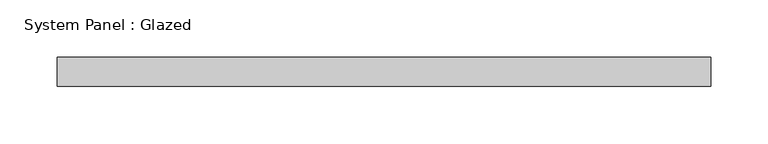
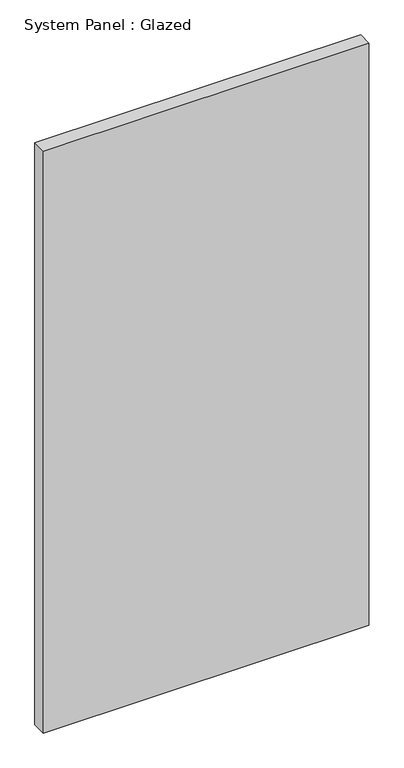
"""IFC4 building model written with IfcOpenShell, lengths in millimetres: plate geometry, System Panel : Glazed."""

from ifc_helpers import new_model, si_unit, origin, origin_with_axes, place, context, project, spatial, polyline, outline, extrude, source, transform, mapped, element, save


def system_panel_glazed_19e83ad0(model_context):
    return source(origin(), model_context, "Body", "SweptSolid", [
        extrude(outline(polyline([(285.75, -12.7), (-285.75, -12.7), (-285.75, 12.7), (285.75, 12.7), (285.75, -12.7)])), origin_with_axes(), (0.0, 0.0, 1.0), 1080.0),
    ])


if __name__ == "__main__":
    model = new_model("IFC4")
    model_context = context("Model", 3, world=origin())
    ifc_project = project(units=[si_unit("LENGTHUNIT", "METRE", prefix="MILLI")], contexts=[model_context])
    site = spatial("IfcSite", under=ifc_project)
    building = spatial("IfcBuilding", under=site)
    placement = place(None, origin())
    system_panel_glazed_shape = system_panel_glazed_19e83ad0(model_context)
    element("IfcPlate", 1, ObjectType="System Panel : Glazed", at=placement, inside=building, context=model_context, shape_type="MappedRepresentation", body=[
        mapped(system_panel_glazed_shape, transform((0.0, 0.0, 0.0), x_axis=(1.0, 0.0, 0.0), y_axis=(0.0, 1.0, 0.0), z_axis=(0.0, 0.0, 1.0))),
    ])
    save(model, "model.ifc")
